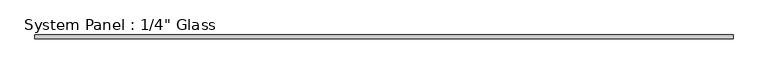
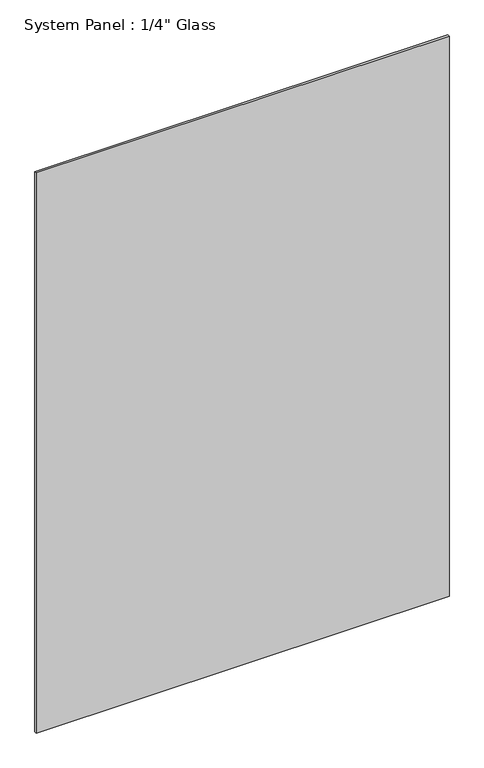
"""IFC4 building model written with IfcOpenShell, lengths in millimetres: plate geometry."""

from ifc_helpers import new_model, si_unit, origin, origin_with_axes, place, context, project, spatial, polyline, outline, extrude, source, transform, mapped, element, save


def plate_50cf8171(model_context):
    return source(origin(), model_context, "Body", "SweptSolid", [
        extrude(outline(polyline([(606.425, -3.175), (-606.425, -3.175), (-606.425, 3.175), (606.425, 3.175), (606.425, -3.175)])), origin_with_axes(), (0.0, 0.0, 1.0), 1739.9),
    ])


if __name__ == "__main__":
    model = new_model("IFC4")
    model_context = context("Model", 3, world=origin())
    ifc_project = project(units=[si_unit("LENGTHUNIT", "METRE", prefix="MILLI")], contexts=[model_context])
    site = spatial("IfcSite", under=ifc_project)
    building = spatial("IfcBuilding", under=site)
    placement = place(None, origin())
    plate_shape = plate_50cf8171(model_context)
    element("IfcPlate", 1, ObjectType="System Panel : 1/4\" Glass", at=placement, inside=building, context=model_context, shape_type="MappedRepresentation", body=[
        mapped(plate_shape, transform((0.0, 0.0, 0.0), x_axis=(1.0, 0.0, 0.0), y_axis=(0.0, 1.0, 0.0), z_axis=(0.0, 0.0, 1.0))),
    ])
    save(model, "model.ifc")
